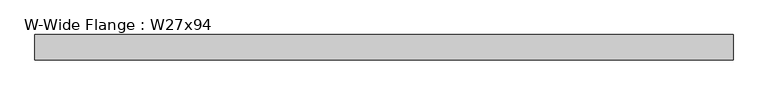
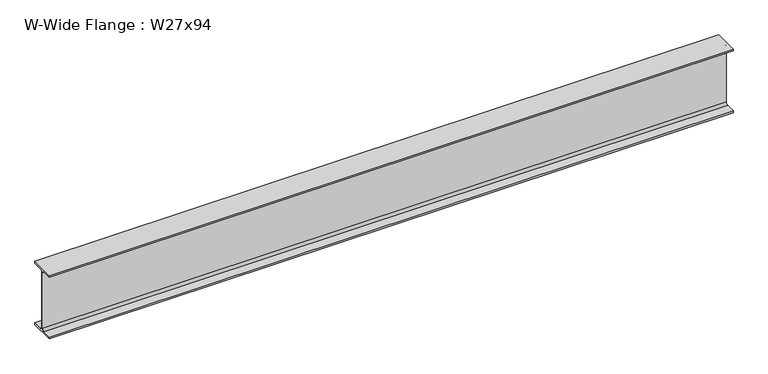
"""IFC4 building model written with IfcOpenShell, lengths in millimetres: beam geometry, W-Wide Flange : W27x94."""

import ifcopenshell
import ifcopenshell.guid

model = None  # the IFC model being written
_history = None  # IfcOwnerHistory: only IFC2X3 demands one
_inside = {}  # id of a spatial element -> (the spatial element, [elements in it])
_under = {}  # id of a project, library or spatial element -> (it, [spatial elements below it])
_declared = {}  # id of a project -> (the project, [libraries it declares])
_typed = {}  # id of a type object -> (the type object, [elements of that type])
_made_of = {}  # id of a material, layer set ... -> (it, [elements and type objects made of it])


def new_model(schema):
    """Start an empty IFC model of exactly this schema.

    Asked for "IFC4X3", IfcOpenShell would pick the latest addendum, in which some entities
    have other attributes; the version numbers below select the first issue.
    IFC2X3 requires an IfcOwnerHistory on every rooted entity: one is made here for all.
    """
    global model, _history
    if schema == "IFC4X3":
        model = ifcopenshell.file(schema_version=(4, 3, 0, 0))
    else:
        model = ifcopenshell.file(schema=schema)
    _inside.clear()
    _under.clear()
    _declared.clear()
    _typed.clear()
    _made_of.clear()
    _history = None
    if model.schema == "IFC2X3":
        org = make("IfcOrganization", Name="unknown")
        user = make(
            "IfcPersonAndOrganization",
            ThePerson=make("IfcPerson", FamilyName="unknown"),
            TheOrganization=org,
        )
        app = make(
            "IfcApplication",
            ApplicationDeveloper=org,
            Version="unknown",
            ApplicationFullName="unknown",
            ApplicationIdentifier="unknown",
        )
        _history = make(
            "IfcOwnerHistory",
            OwningUser=user,
            OwningApplication=app,
            ChangeAction="ADDED",
            CreationDate=0,
        )
    return model


def make(cls, **values):
    """One entity of the class cls with the attributes given. An attribute that is None is left unset."""
    return model.create_entity(
        cls, **{name: value for name, value in values.items() if value is not None}
    )


def rooted(cls, **values):
    """An entity with a GlobalId (a new one), such as an element, a storey or a relation."""
    return make(cls, GlobalId=ifcopenshell.guid.new(), OwnerHistory=_history, **values)


def si_unit(unit_type, name, prefix=None):
    """IfcSIUnit, for example si_unit("LENGTHUNIT", "METRE", prefix="MILLI")."""
    return make("IfcSIUnit", UnitType=unit_type, Prefix=prefix, Name=name)


def assignment(units):
    """IfcUnitAssignment: the units of a project."""
    return None if units is None else make("IfcUnitAssignment", Units=units)


def point(xyz):
    """IfcCartesianPoint."""
    return None if xyz is None else make("IfcCartesianPoint", Coordinates=xyz)


def direction(xyz):
    """IfcDirection."""
    return None if xyz is None else make("IfcDirection", DirectionRatios=xyz)


def frame(location, z_axis=None, x_axis=None):
    """IfcAxis2Placement3D, a coordinate frame: its origin and axes. An axis left out is left unset."""
    return make(
        "IfcAxis2Placement3D",
        Location=point(location),
        Axis=direction(z_axis),
        RefDirection=direction(x_axis),
    )


def frame_2d(location, x_axis=None):
    """IfcAxis2Placement2D, a coordinate frame in the plane: its origin and x axis."""
    return make(
        "IfcAxis2Placement2D", Location=point(location), RefDirection=direction(x_axis)
    )


def origin():
    """The frame at (0, 0, 0) with its axes left unset."""
    return frame((0.0, 0.0, 0.0))


def place(relative_to, where):
    """IfcLocalPlacement: puts the frame where relative to a parent placement (None: the world)."""
    return make(
        "IfcLocalPlacement", PlacementRelTo=relative_to, RelativePlacement=where
    )


def context(
    kind, dimensions, precision=None, world=None, true_north=None, identifier=None
):
    """IfcGeometricRepresentationContext, for example the 3D "Model" context."""
    return make(
        "IfcGeometricRepresentationContext",
        ContextIdentifier=identifier,
        ContextType=kind,
        CoordinateSpaceDimension=dimensions,
        Precision=precision,
        WorldCoordinateSystem=world,
        TrueNorth=true_north,
    )


def project(units=None, contexts=None):
    """IfcProject with its units and contexts."""
    return rooted(
        "IfcProject",
        Name="project",
        RepresentationContexts=contexts,
        UnitsInContext=assignment(units),
    )


def spatial(cls, under=None, at=None, **own):
    """A site, building, storey or space (cls), placed at a placement, below another one or the project."""
    s = rooted(cls, ObjectPlacement=at, **own)
    if under is not None:
        _under.setdefault(under.id(), (under, []))[1].append(s)
    return s


def polyline(points):
    """IfcPolyline through the points."""
    return make("IfcPolyline", Points=[point(p) for p in points])


def circle_curve(where, radius):
    """IfcCircle in the frame where."""
    return make("IfcCircle", Position=where, Radius=radius)


def trimmed(basis, trim1, trim2, sense, master):
    """IfcTrimmedCurve: the piece of a basis curve between two trims."""
    return make(
        "IfcTrimmedCurve",
        BasisCurve=basis,
        Trim1=trim1,
        Trim2=trim2,
        SenseAgreement=sense,
        MasterRepresentation=master,
    )


def segment(curve, same_sense, transition):
    """IfcCompositeCurveSegment."""
    return make(
        "IfcCompositeCurveSegment",
        Transition=transition,
        SameSense=same_sense,
        ParentCurve=curve,
    )


def composite_curve(segments, self_intersect=None):
    """IfcCompositeCurve: segments joined end to end."""
    return make("IfcCompositeCurve", Segments=segments, SelfIntersect=self_intersect)


def outline(outer, holes=None, kind="AREA"):
    """IfcArbitraryClosedProfileDef: a profile drawn as a closed curve; with holes, ...WithVoids."""
    if holes is None:
        return make("IfcArbitraryClosedProfileDef", ProfileType=kind, OuterCurve=outer)
    return make(
        "IfcArbitraryProfileDefWithVoids",
        ProfileType=kind,
        OuterCurve=outer,
        InnerCurves=holes,
    )


def extrude(swept, where, along, depth):
    """IfcExtrudedAreaSolid: the profile swept, set in the frame where, extruded along a direction by depth."""
    return make(
        "IfcExtrudedAreaSolid",
        SweptArea=swept,
        Position=where,
        ExtrudedDirection=direction(along),
        Depth=depth,
    )


def shape(context_of_items, identifier, shape_type, items):
    """IfcShapeRepresentation: the items that make up one representation, for example the "Body"."""
    return make(
        "IfcShapeRepresentation",
        ContextOfItems=context_of_items,
        RepresentationIdentifier=identifier,
        RepresentationType=shape_type,
        Items=items,
    )


def source(mapping_origin, context_of_items, identifier, shape_type, items):
    """IfcRepresentationMap: a shape defined once, which mapped items show again and again."""
    return make(
        "IfcRepresentationMap",
        MappingOrigin=mapping_origin,
        MappedRepresentation=shape(context_of_items, identifier, shape_type, items),
    )


def transform(
    local_origin,
    x_axis=None,
    y_axis=None,
    z_axis=None,
    scale=None,
    scale2=None,
    scale3=None,
    uniform=True,
):
    """IfcCartesianTransformationOperator3D, or its non-uniform kind. x_axis, y_axis, z_axis: its Axis1, 2, 3."""
    if uniform:
        return make(
            "IfcCartesianTransformationOperator3D",
            Axis1=direction(x_axis),
            Axis2=direction(y_axis),
            LocalOrigin=point(local_origin),
            Scale=scale,
            Axis3=direction(z_axis),
        )
    return make(
        "IfcCartesianTransformationOperator3DnonUniform",
        Axis1=direction(x_axis),
        Axis2=direction(y_axis),
        LocalOrigin=point(local_origin),
        Scale=scale,
        Axis3=direction(z_axis),
        Scale2=scale2,
        Scale3=scale3,
    )


def mapped(mapping_source, mapping_target):
    """IfcMappedItem: shows the shape of a source again, moved by a transform."""
    return make(
        "IfcMappedItem", MappingSource=mapping_source, MappingTarget=mapping_target
    )


def made_of(thing, what):
    """Note that an element or type object is made of a material, layer set ...; save() writes the relation."""
    if what is not None:
        _made_of.setdefault(what.id(), (what, []))[1].append(thing)
    return thing


def element(
    cls,
    number,
    at=None,
    inside=None,
    cuts=None,
    type_object=None,
    material=None,
    context=None,
    identifier="Body",
    shape_type=None,
    held_by="IfcProductDefinitionShape",
    body=None,
    shapes=None,
    **own,
):
    """One element of the class cls, such as IfcWall. Its Tag is "e" and its number.

    at: its placement. inside: the storey or other place that contains it. cuts: it is an
    opening in that element (IfcRelVoidsElement). A single representation is given by context,
    identifier, shape_type and body (its items); several are given by shapes. held_by: the class
    of the entity that holds the representations. save() writes the other relations.
    """
    e = rooted(cls, Tag="e%d" % number, ObjectPlacement=at, **own)
    if body is not None:
        shapes = [shape(context, identifier, shape_type, body)]
    if shapes is not None:
        e.Representation = make(held_by, Representations=shapes)
    if inside is not None:
        _inside.setdefault(inside.id(), (inside, []))[1].append(e)
    if cuts is not None:
        rooted(
            "IfcRelVoidsElement", RelatingBuildingElement=cuts, RelatedOpeningElement=e
        )
    if type_object is not None:
        _typed.setdefault(type_object.id(), (type_object, []))[1].append(e)
    return made_of(e, material)


def aggregate(whole, parts):
    """IfcRelAggregates: a whole, such as a stair, and the parts it consists of."""
    return rooted("IfcRelAggregates", RelatingObject=whole, RelatedObjects=parts)


def save(model, path):
    """Write the relations noted so far, then the file.

    IfcRelAggregates (storeys below a building ...), IfcRelContainedInSpatialStructure (elements
    in a storey), IfcRelDefinesByType, IfcRelAssociatesMaterial and IfcRelDeclares: one each for
    every whole, place, type object, material and project.
    """
    for whole, parts in _under.values():
        aggregate(whole, parts)
    for where, things in _inside.values():
        rooted(
            "IfcRelContainedInSpatialStructure",
            RelatedElements=things,
            RelatingStructure=where,
        )
    for kind, things in _typed.values():
        rooted("IfcRelDefinesByType", RelatedObjects=things, RelatingType=kind)
    for what, things in _made_of.values():
        rooted("IfcRelAssociatesMaterial", RelatedObjects=things, RelatingMaterial=what)
    for by, libraries in _declared.values():
        rooted("IfcRelDeclares", RelatingContext=by, RelatedDefinitions=libraries)
    model.write(path)


def w_wide_flange_w27x94_57f64d20(model_context):
    return source(origin(), model_context, "Body", "SweptSolid", [
        extrude(outline(composite_curve([segment(polyline([(127.0, -322.707), (127.0, -341.63), (-127.0, -341.63), (-127.0, -322.707), (-28.575, -322.707)]), True, "CONTINUOUS"), segment(trimmed(circle_curve(frame_2d((-28.575, -300.355)), 22.352), [point((-28.575, -322.707))], [point((-6.223, -300.355))], True, "CARTESIAN"), True, "CONTINUOUS"), segment(polyline([(-6.223, -300.355), (-6.223, 300.355)]), True, "CONTINUOUS"), segment(trimmed(circle_curve(frame_2d((-28.575, 300.355)), 22.352), [point((-6.223, 300.355))], [point((-28.575, 322.707))], True, "CARTESIAN"), True, "CONTINUOUS"), segment(polyline([(-28.575, 322.707), (-127.0, 322.707), (-127.0, 341.63), (127.0, 341.63), (127.0, 322.707), (28.575, 322.707)]), True, "CONTINUOUS"), segment(trimmed(circle_curve(frame_2d((28.575, 300.355)), 22.352), [point((28.575, 322.707))], [point((6.223, 300.355))], True, "CARTESIAN"), True, "CONTINUOUS"), segment(polyline([(6.223, 300.355), (6.223, -300.355)]), True, "CONTINUOUS"), segment(trimmed(circle_curve(frame_2d((28.575, -300.355)), 22.352), [point((6.223, -300.355))], [point((28.575, -322.707))], True, "CARTESIAN"), True, "CONTINUOUS"), segment(polyline([(28.575, -322.707), (127.0, -322.707)]), True, "CONTINUOUS")], self_intersect=False)), frame((-3488.69, 0.0, 0.0), z_axis=(1.0, 0.0, 0.0), x_axis=(0.0, 1.0, 0.0)), (0.0, 0.0, 1.0), 6977.38),
    ])


if __name__ == "__main__":
    model = new_model("IFC4")
    model_context = context("Model", 3, world=origin())
    ifc_project = project(units=[si_unit("LENGTHUNIT", "METRE", prefix="MILLI")], contexts=[model_context])
    site = spatial("IfcSite", under=ifc_project)
    building = spatial("IfcBuilding", under=site)
    placement = place(None, origin())
    w_wide_flange_w27x94_shape = w_wide_flange_w27x94_57f64d20(model_context)
    element("IfcBeam", 1, ObjectType="W-Wide Flange : W27x94", at=placement, inside=building, context=model_context, shape_type="MappedRepresentation", body=[
        mapped(w_wide_flange_w27x94_shape, transform((0.0, 0.0, 0.0), x_axis=(1.0, 0.0, 0.0), y_axis=(0.0, 1.0, 0.0), z_axis=(0.0, 0.0, 1.0))),
    ])
    save(model, "model.ifc")
